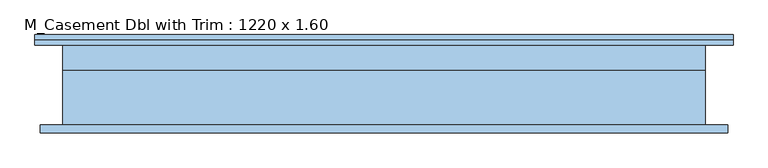
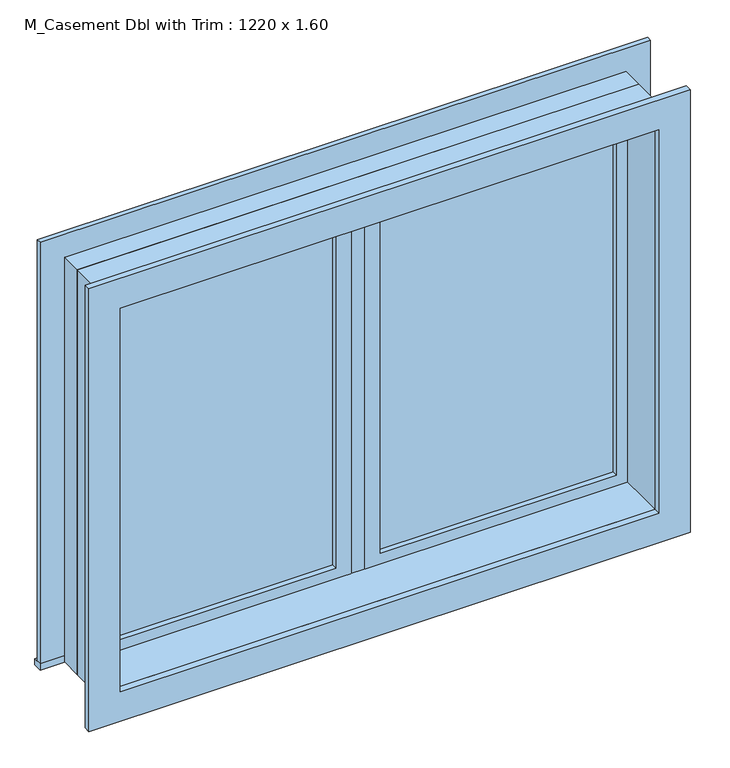
"""IFC4 building model written with IfcOpenShell, lengths in millimetres: window geometry, M_Casement Dbl with Trim : 1220 x 1.60."""

from ifc_helpers import new_model, si_unit, frame, origin, place, context, project, spatial, polyline, outline, extrude, source, transform, mapped, element, save


def m_casement_dbl_with_trim_1220_x_1_60_5272b015(model_context):
    return source(origin(), model_context, "Body", "SweptSolid", [
        extrude(outline(polyline([(63.5, 84.175), (736.5, 84.175), (736.5, 71.475), (63.5, 71.475), (63.5, 84.175)])), frame((0.0, 0.0, 978.5), z_axis=(0.0, 0.0, 1.0), x_axis=(1.0, 0.0, 0.0)), (0.0, 0.0, 1.0), 1093.0),
        extrude(outline(polyline([(2115.95, 19.05), (934.05, 19.05), (934.05, 780.95), (2115.95, 780.95), (2115.95, 19.05)]), holes=[polyline([(2071.5, 63.5), (2071.5, 736.5), (978.5, 736.5), (978.5, 63.5), (2071.5, 63.5)])]), frame((0.0, 55.6, 0.0), z_axis=(0.0, 1.0, 0.0), x_axis=(0.0, 0.0, 1.0)), (0.0, 0.0, 1.0), 44.45),
        extrude(outline(polyline([(-869.95, 144.75), (869.95, 144.75), (869.95, 119.05), (-869.95, 119.05), (-869.95, 144.75)])), frame((0.0, 0.0, 915.0), z_axis=(0.0, 0.0, 1.0), x_axis=(1.0, 0.0, 0.0)), (0.0, 0.0, 1.0), 19.05),
        extrude(outline(polyline([(2115.95, -780.95), (2115.95, 780.95), (934.05, 780.95), (934.05, 869.95), (2204.95, 869.95), (2204.95, -869.95), (934.05, -869.95), (934.05, -780.95), (2115.95, -780.95)])), frame((0.0, 119.05, 0.0), z_axis=(0.0, 1.0, 0.0), x_axis=(0.0, 0.0, 1.0)), (0.0, 0.0, 1.0), 13.0),
        extrude(outline(polyline([(2192.25, 857.25), (2192.25, -857.25), (857.75, -857.25), (857.75, 857.25), (2192.25, 857.25)]), holes=[polyline([(2103.25, 768.25), (946.75, 768.25), (946.75, -768.25), (2103.25, -768.25), (2103.25, 768.25)])]), frame((0.0, -99.95, 0.0), z_axis=(0.0, 1.0, 0.0), x_axis=(0.0, 0.0, 1.0)), (0.0, 0.0, 1.0), 19.0),
        extrude(outline(polyline([(-63.5, 71.475), (-736.5, 71.475), (-736.5, 84.175), (-63.5, 84.175), (-63.5, 71.475)])), frame((0.0, 0.0, 978.5), z_axis=(0.0, 0.0, 1.0), x_axis=(1.0, 0.0, 0.0)), (0.0, 0.0, 1.0), 1093.0),
        extrude(outline(polyline([(2115.95, -780.95), (934.05, -780.95), (934.05, -19.05), (2115.95, -19.05), (2115.95, -780.95)]), holes=[polyline([(2071.5, -736.5), (2071.5, -63.5), (978.5, -63.5), (978.5, -736.5), (2071.5, -736.5)])]), frame((0.0, 55.6, 0.0), z_axis=(0.0, 1.0, 0.0), x_axis=(0.0, 0.0, 1.0)), (0.0, 0.0, 1.0), 44.45),
        extrude(outline(polyline([(2135.0, -800.0), (915.0, -800.0), (915.0, 800.0), (2135.0, 800.0), (2135.0, -800.0)]), holes=[polyline([(2103.25, -768.25), (2103.25, 768.25), (946.75, 768.25), (946.75, -768.25), (2103.25, -768.25)])]), frame((0.0, -80.95, 0.0), z_axis=(0.0, 1.0, 0.0), x_axis=(0.0, 0.0, 1.0)), (0.0, 0.0, 1.0), 136.55),
        extrude(outline(polyline([(2135.0, 800.0), (2135.0, -800.0), (915.0, -800.0), (915.0, 800.0), (2135.0, 800.0)]), holes=[polyline([(2115.95, 780.95), (934.05, 780.95), (934.05, -780.95), (2115.95, -780.95), (2115.95, 780.95)])]), frame((0.0, 55.6, 0.0), z_axis=(0.0, 1.0, 0.0), x_axis=(0.0, 0.0, 1.0)), (0.0, 0.0, 1.0), 63.45),
        extrude(outline(polyline([(19.05, 55.6), (-19.05, 55.6), (-19.05, 119.1), (19.05, 119.1), (19.05, 55.6)])), frame((0.0, 0.0, 934.05), z_axis=(0.0, 0.0, 1.0), x_axis=(1.0, 0.0, 0.0)), (0.0, 0.0, 1.0), 1181.9),
    ])


if __name__ == "__main__":
    model = new_model("IFC4")
    model_context = context("Model", 3, world=origin())
    ifc_project = project(units=[si_unit("LENGTHUNIT", "METRE", prefix="MILLI")], contexts=[model_context])
    site = spatial("IfcSite", under=ifc_project)
    building = spatial("IfcBuilding", under=site)
    placement = place(None, origin())
    m_casement_dbl_with_trim_1220_x_1_60_shape = m_casement_dbl_with_trim_1220_x_1_60_5272b015(model_context)
    element("IfcWindow", 1, ObjectType="M_Casement Dbl with Trim : 1220 x 1.60", at=placement, inside=building, context=model_context, shape_type="MappedRepresentation", body=[
        mapped(m_casement_dbl_with_trim_1220_x_1_60_shape, transform((0.0, 0.0, 0.0), x_axis=(1.0, 0.0, 0.0), y_axis=(0.0, 1.0, 0.0), z_axis=(0.0, 0.0, 1.0))),
    ])
    save(model, "model.ifc")
